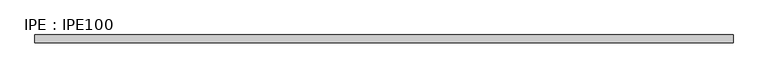
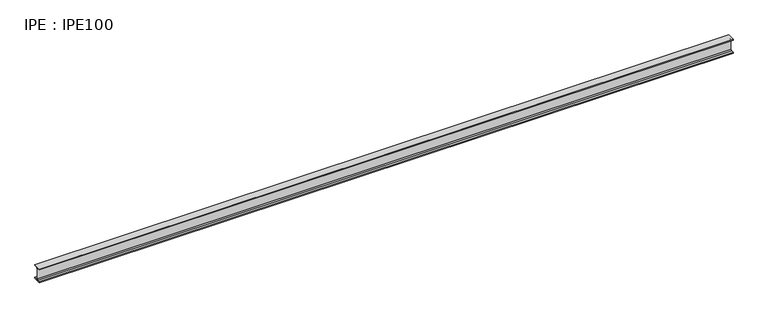
"""IFC4 building model written with IfcOpenShell, lengths in millimetres: beam geometry, IPE : IPE100."""

import ifcopenshell
import ifcopenshell.guid

model = None  # the IFC model being written
_history = None  # IfcOwnerHistory: only IFC2X3 demands one
_inside = {}  # id of a spatial element -> (the spatial element, [elements in it])
_under = {}  # id of a project, library or spatial element -> (it, [spatial elements below it])
_declared = {}  # id of a project -> (the project, [libraries it declares])
_typed = {}  # id of a type object -> (the type object, [elements of that type])
_made_of = {}  # id of a material, layer set ... -> (it, [elements and type objects made of it])


def new_model(schema):
    """Start an empty IFC model of exactly this schema.

    Asked for "IFC4X3", IfcOpenShell would pick the latest addendum, in which some entities
    have other attributes; the version numbers below select the first issue.
    IFC2X3 requires an IfcOwnerHistory on every rooted entity: one is made here for all.
    """
    global model, _history
    if schema == "IFC4X3":
        model = ifcopenshell.file(schema_version=(4, 3, 0, 0))
    else:
        model = ifcopenshell.file(schema=schema)
    _inside.clear()
    _under.clear()
    _declared.clear()
    _typed.clear()
    _made_of.clear()
    _history = None
    if model.schema == "IFC2X3":
        org = make("IfcOrganization", Name="unknown")
        user = make(
            "IfcPersonAndOrganization",
            ThePerson=make("IfcPerson", FamilyName="unknown"),
            TheOrganization=org,
        )
        app = make(
            "IfcApplication",
            ApplicationDeveloper=org,
            Version="unknown",
            ApplicationFullName="unknown",
            ApplicationIdentifier="unknown",
        )
        _history = make(
            "IfcOwnerHistory",
            OwningUser=user,
            OwningApplication=app,
            ChangeAction="ADDED",
            CreationDate=0,
        )
    return model


def make(cls, **values):
    """One entity of the class cls with the attributes given. An attribute that is None is left unset."""
    return model.create_entity(
        cls, **{name: value for name, value in values.items() if value is not None}
    )


def rooted(cls, **values):
    """An entity with a GlobalId (a new one), such as an element, a storey or a relation."""
    return make(cls, GlobalId=ifcopenshell.guid.new(), OwnerHistory=_history, **values)


def si_unit(unit_type, name, prefix=None):
    """IfcSIUnit, for example si_unit("LENGTHUNIT", "METRE", prefix="MILLI")."""
    return make("IfcSIUnit", UnitType=unit_type, Prefix=prefix, Name=name)


def assignment(units):
    """IfcUnitAssignment: the units of a project."""
    return None if units is None else make("IfcUnitAssignment", Units=units)


def point(xyz):
    """IfcCartesianPoint."""
    return None if xyz is None else make("IfcCartesianPoint", Coordinates=xyz)


def direction(xyz):
    """IfcDirection."""
    return None if xyz is None else make("IfcDirection", DirectionRatios=xyz)


def frame(location, z_axis=None, x_axis=None):
    """IfcAxis2Placement3D, a coordinate frame: its origin and axes. An axis left out is left unset."""
    return make(
        "IfcAxis2Placement3D",
        Location=point(location),
        Axis=direction(z_axis),
        RefDirection=direction(x_axis),
    )


def frame_2d(location, x_axis=None):
    """IfcAxis2Placement2D, a coordinate frame in the plane: its origin and x axis."""
    return make(
        "IfcAxis2Placement2D", Location=point(location), RefDirection=direction(x_axis)
    )


def origin():
    """The frame at (0, 0, 0) with its axes left unset."""
    return frame((0.0, 0.0, 0.0))


def place(relative_to, where):
    """IfcLocalPlacement: puts the frame where relative to a parent placement (None: the world)."""
    return make(
        "IfcLocalPlacement", PlacementRelTo=relative_to, RelativePlacement=where
    )


def context(
    kind, dimensions, precision=None, world=None, true_north=None, identifier=None
):
    """IfcGeometricRepresentationContext, for example the 3D "Model" context."""
    return make(
        "IfcGeometricRepresentationContext",
        ContextIdentifier=identifier,
        ContextType=kind,
        CoordinateSpaceDimension=dimensions,
        Precision=precision,
        WorldCoordinateSystem=world,
        TrueNorth=true_north,
    )


def project(units=None, contexts=None):
    """IfcProject with its units and contexts."""
    return rooted(
        "IfcProject",
        Name="project",
        RepresentationContexts=contexts,
        UnitsInContext=assignment(units),
    )


def spatial(cls, under=None, at=None, **own):
    """A site, building, storey or space (cls), placed at a placement, below another one or the project."""
    s = rooted(cls, ObjectPlacement=at, **own)
    if under is not None:
        _under.setdefault(under.id(), (under, []))[1].append(s)
    return s


def polyline(points):
    """IfcPolyline through the points."""
    return make("IfcPolyline", Points=[point(p) for p in points])


def circle_curve(where, radius):
    """IfcCircle in the frame where."""
    return make("IfcCircle", Position=where, Radius=radius)


def trimmed(basis, trim1, trim2, sense, master):
    """IfcTrimmedCurve: the piece of a basis curve between two trims."""
    return make(
        "IfcTrimmedCurve",
        BasisCurve=basis,
        Trim1=trim1,
        Trim2=trim2,
        SenseAgreement=sense,
        MasterRepresentation=master,
    )


def segment(curve, same_sense, transition):
    """IfcCompositeCurveSegment."""
    return make(
        "IfcCompositeCurveSegment",
        Transition=transition,
        SameSense=same_sense,
        ParentCurve=curve,
    )


def composite_curve(segments, self_intersect=None):
    """IfcCompositeCurve: segments joined end to end."""
    return make("IfcCompositeCurve", Segments=segments, SelfIntersect=self_intersect)


def outline(outer, holes=None, kind="AREA"):
    """IfcArbitraryClosedProfileDef: a profile drawn as a closed curve; with holes, ...WithVoids."""
    if holes is None:
        return make("IfcArbitraryClosedProfileDef", ProfileType=kind, OuterCurve=outer)
    return make(
        "IfcArbitraryProfileDefWithVoids",
        ProfileType=kind,
        OuterCurve=outer,
        InnerCurves=holes,
    )


def extrude(swept, where, along, depth):
    """IfcExtrudedAreaSolid: the profile swept, set in the frame where, extruded along a direction by depth."""
    return make(
        "IfcExtrudedAreaSolid",
        SweptArea=swept,
        Position=where,
        ExtrudedDirection=direction(along),
        Depth=depth,
    )


def shape(context_of_items, identifier, shape_type, items):
    """IfcShapeRepresentation: the items that make up one representation, for example the "Body"."""
    return make(
        "IfcShapeRepresentation",
        ContextOfItems=context_of_items,
        RepresentationIdentifier=identifier,
        RepresentationType=shape_type,
        Items=items,
    )


def source(mapping_origin, context_of_items, identifier, shape_type, items):
    """IfcRepresentationMap: a shape defined once, which mapped items show again and again."""
    return make(
        "IfcRepresentationMap",
        MappingOrigin=mapping_origin,
        MappedRepresentation=shape(context_of_items, identifier, shape_type, items),
    )


def transform(
    local_origin,
    x_axis=None,
    y_axis=None,
    z_axis=None,
    scale=None,
    scale2=None,
    scale3=None,
    uniform=True,
):
    """IfcCartesianTransformationOperator3D, or its non-uniform kind. x_axis, y_axis, z_axis: its Axis1, 2, 3."""
    if uniform:
        return make(
            "IfcCartesianTransformationOperator3D",
            Axis1=direction(x_axis),
            Axis2=direction(y_axis),
            LocalOrigin=point(local_origin),
            Scale=scale,
            Axis3=direction(z_axis),
        )
    return make(
        "IfcCartesianTransformationOperator3DnonUniform",
        Axis1=direction(x_axis),
        Axis2=direction(y_axis),
        LocalOrigin=point(local_origin),
        Scale=scale,
        Axis3=direction(z_axis),
        Scale2=scale2,
        Scale3=scale3,
    )


def mapped(mapping_source, mapping_target):
    """IfcMappedItem: shows the shape of a source again, moved by a transform."""
    return make(
        "IfcMappedItem", MappingSource=mapping_source, MappingTarget=mapping_target
    )


def made_of(thing, what):
    """Note that an element or type object is made of a material, layer set ...; save() writes the relation."""
    if what is not None:
        _made_of.setdefault(what.id(), (what, []))[1].append(thing)
    return thing


def element(
    cls,
    number,
    at=None,
    inside=None,
    cuts=None,
    type_object=None,
    material=None,
    context=None,
    identifier="Body",
    shape_type=None,
    held_by="IfcProductDefinitionShape",
    body=None,
    shapes=None,
    **own,
):
    """One element of the class cls, such as IfcWall. Its Tag is "e" and its number.

    at: its placement. inside: the storey or other place that contains it. cuts: it is an
    opening in that element (IfcRelVoidsElement). A single representation is given by context,
    identifier, shape_type and body (its items); several are given by shapes. held_by: the class
    of the entity that holds the representations. save() writes the other relations.
    """
    e = rooted(cls, Tag="e%d" % number, ObjectPlacement=at, **own)
    if body is not None:
        shapes = [shape(context, identifier, shape_type, body)]
    if shapes is not None:
        e.Representation = make(held_by, Representations=shapes)
    if inside is not None:
        _inside.setdefault(inside.id(), (inside, []))[1].append(e)
    if cuts is not None:
        rooted(
            "IfcRelVoidsElement", RelatingBuildingElement=cuts, RelatedOpeningElement=e
        )
    if type_object is not None:
        _typed.setdefault(type_object.id(), (type_object, []))[1].append(e)
    return made_of(e, material)


def aggregate(whole, parts):
    """IfcRelAggregates: a whole, such as a stair, and the parts it consists of."""
    return rooted("IfcRelAggregates", RelatingObject=whole, RelatedObjects=parts)


def save(model, path):
    """Write the relations noted so far, then the file.

    IfcRelAggregates (storeys below a building ...), IfcRelContainedInSpatialStructure (elements
    in a storey), IfcRelDefinesByType, IfcRelAssociatesMaterial and IfcRelDeclares: one each for
    every whole, place, type object, material and project.
    """
    for whole, parts in _under.values():
        aggregate(whole, parts)
    for where, things in _inside.values():
        rooted(
            "IfcRelContainedInSpatialStructure",
            RelatedElements=things,
            RelatingStructure=where,
        )
    for kind, things in _typed.values():
        rooted("IfcRelDefinesByType", RelatedObjects=things, RelatingType=kind)
    for what, things in _made_of.values():
        rooted("IfcRelAssociatesMaterial", RelatedObjects=things, RelatingMaterial=what)
    for by, libraries in _declared.values():
        rooted("IfcRelDeclares", RelatingContext=by, RelatedDefinitions=libraries)
    model.write(path)


def ipe_ipe100_a988dc58(model_context):
    return source(origin(), model_context, "Body", "SweptSolid", [
        extrude(outline(composite_curve([segment(polyline([(27.5, -44.3), (27.5, -50.0), (-27.5, -50.0), (-27.5, -44.3), (-9.05, -44.3)]), True, "CONTINUOUS"), segment(trimmed(circle_curve(frame_2d((-9.05, -37.3)), 7.0), [point((-9.05, -44.3))], [point((-2.05, -37.3))], True, "CARTESIAN"), True, "CONTINUOUS"), segment(polyline([(-2.05, -37.3), (-2.05, 37.3)]), True, "CONTINUOUS"), segment(trimmed(circle_curve(frame_2d((-9.05, 37.3)), 7.0), [point((-2.05, 37.3))], [point((-9.05, 44.3))], True, "CARTESIAN"), True, "CONTINUOUS"), segment(polyline([(-9.05, 44.3), (-27.5, 44.3), (-27.5, 50.0), (27.5, 50.0), (27.5, 44.3), (9.05, 44.3)]), True, "CONTINUOUS"), segment(trimmed(circle_curve(frame_2d((9.05, 37.3)), 7.0), [point((9.05, 44.3))], [point((2.05, 37.3))], True, "CARTESIAN"), True, "CONTINUOUS"), segment(polyline([(2.05, 37.3), (2.05, -37.3)]), True, "CONTINUOUS"), segment(trimmed(circle_curve(frame_2d((9.05, -37.3)), 7.0), [point((2.05, -37.3))], [point((9.05, -44.3))], True, "CARTESIAN"), True, "CONTINUOUS"), segment(polyline([(9.05, -44.3), (27.5, -44.3)]), True, "CONTINUOUS")], self_intersect=False)), frame((-2421.35, 0.0, 0.0), z_axis=(1.0, 0.0, 0.0), x_axis=(0.0, 1.0, 0.0)), (0.0, 0.0, 1.0), 4834.0),
    ])


if __name__ == "__main__":
    model = new_model("IFC4")
    model_context = context("Model", 3, world=origin())
    ifc_project = project(units=[si_unit("LENGTHUNIT", "METRE", prefix="MILLI")], contexts=[model_context])
    site = spatial("IfcSite", under=ifc_project)
    building = spatial("IfcBuilding", under=site)
    placement = place(None, origin())
    ipe_ipe100_shape = ipe_ipe100_a988dc58(model_context)
    element("IfcBeam", 1, ObjectType="IPE : IPE100", at=placement, inside=building, context=model_context, shape_type="MappedRepresentation", body=[
        mapped(ipe_ipe100_shape, transform((0.0, 0.0, 0.0), x_axis=(1.0, 0.0, 0.0), y_axis=(0.0, 1.0, 0.0), z_axis=(0.0, 0.0, 1.0))),
    ])
    save(model, "model.ifc")
